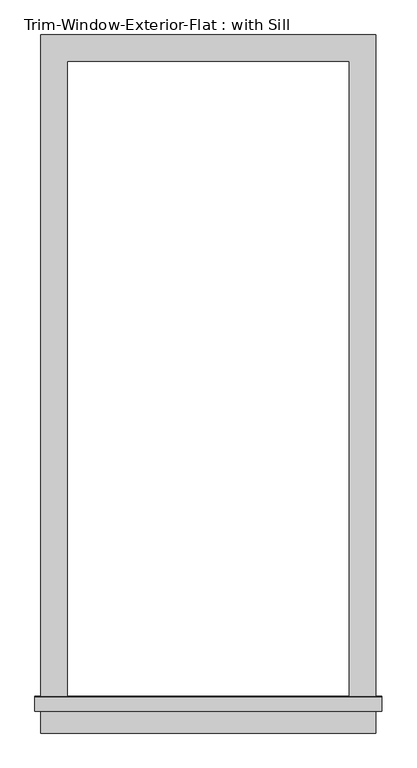
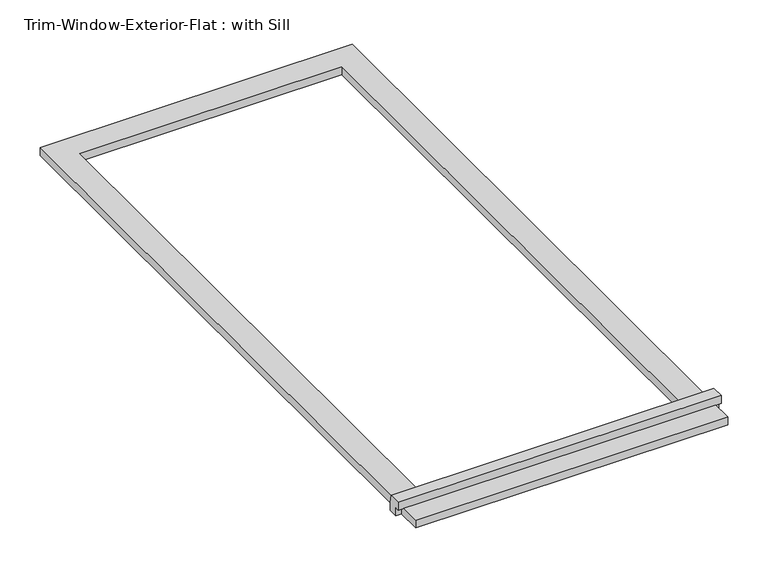
"""IFC4 building model written with IfcOpenShell, lengths in millimetres: proxy geometry, Trim-Window-Exterior-Flat : with Sill."""

from ifc_helpers import new_model, si_unit, frame, origin, origin_with_axes, place, context, project, spatial, polyline, outline, extrude, source, transform, mapped, element, save


def trim_window_exterior_flat_with_sill_47d65b0d(model_context):
    return source(origin(), model_context, "Body", "SweptSolid", [
        extrude(outline(polyline([(361.95, -1393.7823709), (361.95, -1450.9323709), (-361.95, -1450.9323709), (-361.95, -1393.7823709), (361.95, -1393.7823709)])), origin_with_axes(), (0.0, 0.0, 1.0), 19.05),
        extrude(outline(polyline([(-1403.35, 38.1), (-1374.0580645, 38.1), (-1371.6, 19.05), (-1371.6, 0.0), (-1393.7823709, 0.0), (-1393.7823709, 19.05), (-1403.35, 19.05), (-1403.35, 38.1)])), frame((-374.65, 0.0, 0.0), z_axis=(1.0, 0.0, 0.0), x_axis=(0.0, 1.0, 0.0)), (0.0, 0.0, 1.0), 749.3),
        extrude(outline(polyline([(-361.95, 57.15), (361.95, 57.15), (361.95, -1371.6), (304.8, -1371.6), (304.8, 0.0), (-304.8, 0.0), (-304.8, -1371.6), (-361.95, -1371.6), (-361.95, 57.15)])), origin_with_axes(), (0.0, 0.0, 1.0), 19.05),
    ])


if __name__ == "__main__":
    model = new_model("IFC4")
    model_context = context("Model", 3, world=origin())
    ifc_project = project(units=[si_unit("LENGTHUNIT", "METRE", prefix="MILLI")], contexts=[model_context])
    site = spatial("IfcSite", under=ifc_project)
    building = spatial("IfcBuilding", under=site)
    placement = place(None, origin())
    trim_window_exterior_flat_with_sill_shape = trim_window_exterior_flat_with_sill_47d65b0d(model_context)
    element("IfcBuildingElementProxy", 1, Name="Trim-Window-Exterior-Flat : with Sill", ObjectType="Trim-Window-Exterior-Flat : with Sill", at=placement, inside=building, context=model_context, shape_type="MappedRepresentation", body=[
        mapped(trim_window_exterior_flat_with_sill_shape, transform((0.0, 0.0, 0.0), x_axis=(1.0, 0.0, 0.0), y_axis=(0.0, 1.0, 0.0), z_axis=(0.0, 0.0, 1.0))),
    ])
    save(model, "model.ifc")
